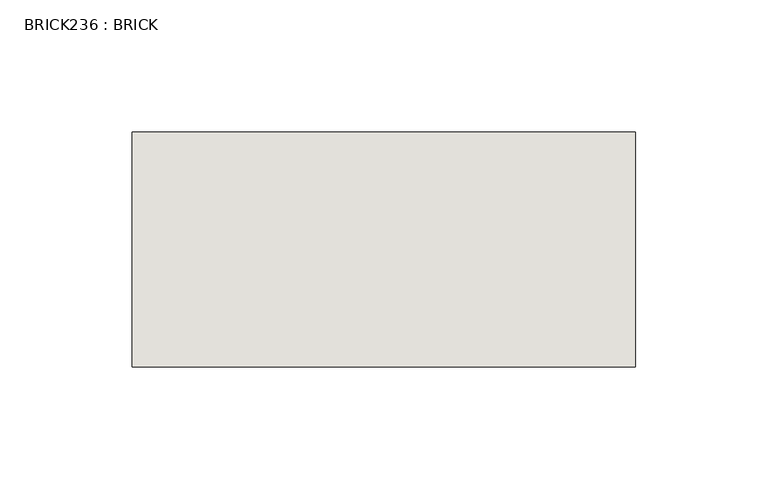
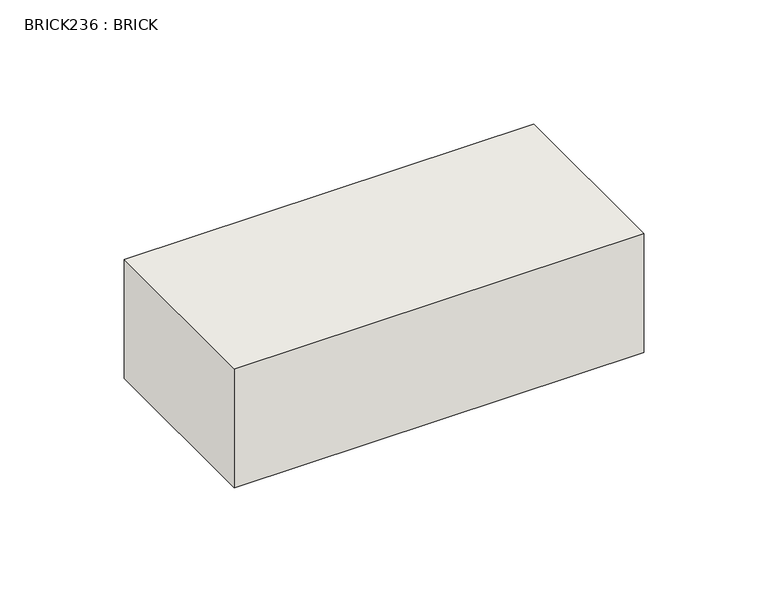
"""IFC4 building model written with IfcOpenShell, lengths in millimetres: wall geometry, BRICK236 : BRICK."""

from ifc_helpers import new_model, si_unit, frame, origin, place, context, project, spatial, polyline, outline, extrude, source, transform, mapped, element, save


def brick236_brick_6afcfec0(model_context):
    return source(origin(), model_context, "Body", "SweptSolid", [
        extrude(outline(polyline([(-1684.2574357, 3062.3923312), (-1493.7574357, 3062.3923312), (-1493.7574357, 2973.4923312), (-1684.2574357, 2973.4923312), (-1684.2574357, 3062.3923312)])), frame((0.0, 0.0, 4.1671875), z_axis=(0.0, 0.0, 1.0), x_axis=(1.0, 0.0, 0.0)), (0.0, 0.0, 1.0), 58.4398437),
    ])


if __name__ == "__main__":
    model = new_model("IFC4")
    model_context = context("Model", 3, world=origin())
    ifc_project = project(units=[si_unit("LENGTHUNIT", "METRE", prefix="MILLI")], contexts=[model_context])
    site = spatial("IfcSite", under=ifc_project)
    building = spatial("IfcBuilding", under=site)
    placement = place(None, origin())
    brick236_brick_shape = brick236_brick_6afcfec0(model_context)
    element("IfcWall", 1, ObjectType="BRICK236 : BRICK", at=placement, inside=building, context=model_context, shape_type="MappedRepresentation", body=[
        mapped(brick236_brick_shape, transform((0.0, 0.0, 0.0), x_axis=(1.0, 0.0, 0.0), y_axis=(0.0, 1.0, 0.0), z_axis=(0.0, 0.0, 1.0))),
    ])
    save(model, "model.ifc")
